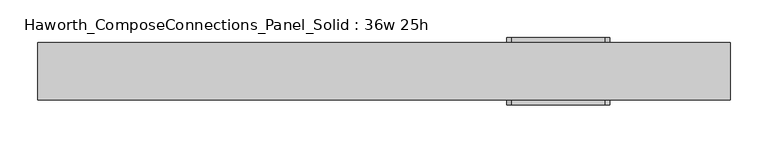
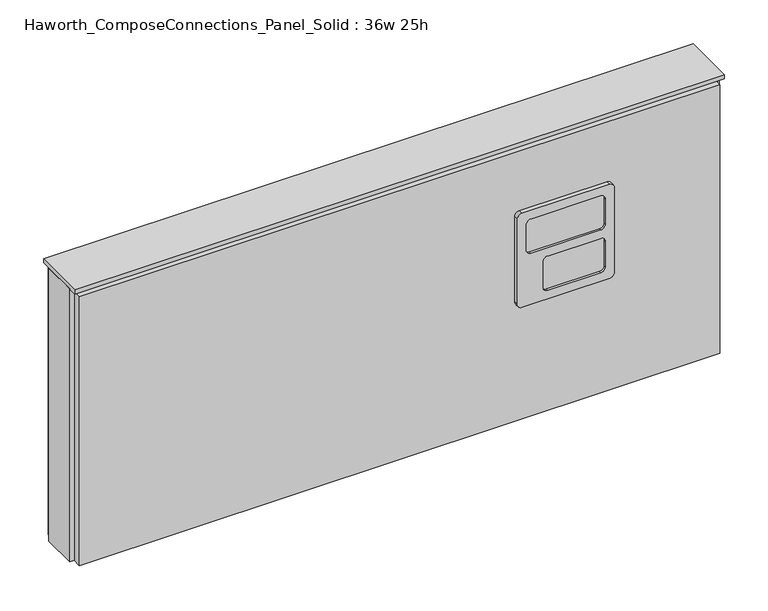
"""IFC4 building model written with IfcOpenShell, lengths in millimetres: furniture geometry, Haworth_ComposeConnections_Panel_Solid : 36w 25h."""

from ifc_helpers import new_model, si_unit, frame, origin, place, context, project, spatial, polyline, circle_curve, outline, extrude, source, transform, mapped, element, save
from ifc_brep_helpers import plane_surface, cylinder_surface, revolved_surface, advanced_brep


def haworth_composeconnections_panel_solid_36w_25h_44c2ec4a(model_context):
    return source(origin(), model_context, "Body", "SolidModel", [
        advanced_brep(
        [(170.7152902, 38.1, 546.1), (164.3652902, 38.1, 539.75), (164.3652902, 38.1, 412.75), (170.7152902, 38.1, 406.4), (294.5402902, 38.1, 406.4), (300.8902902, 38.1, 412.75), (300.8902902, 38.1, 539.75), (294.5402902, 38.1, 546.1), (170.7152902, 44.45, 546.1), (294.5402902, 44.45, 546.1), (300.8902902, 44.45, 539.75), (300.8902902, 44.45, 412.75), (294.5402902, 44.45, 406.4), (170.7152902, 44.45, 406.4), (164.3652902, 44.45, 412.75), (164.3652902, 44.45, 539.75), (183.4152902, 44.45, 533.4), (177.0652902, 44.45, 527.05), (177.0652902, 44.45, 488.95), (183.4152902, 44.45, 482.6), (281.8402902, 44.45, 482.6), (288.1902902, 44.45, 488.95), (288.1902902, 44.45, 527.05), (281.8402902, 44.45, 533.4), (183.4152902, 44.45, 469.9), (177.0652902, 44.45, 463.55), (177.0652902, 44.45, 425.45), (183.4152902, 44.45, 419.1), (258.0277902, 44.45, 419.1), (264.3777902, 44.45, 425.45), (264.3777902, 44.45, 463.55), (258.0277902, 44.45, 469.9), (183.4152902, 41.275, 533.4), (281.8402902, 41.275, 533.4), (288.1902902, 41.275, 527.05), (288.1902902, 41.275, 488.95), (281.8402902, 41.275, 482.6), (183.4152902, 41.275, 482.6), (177.0652902, 41.275, 488.95), (177.0652902, 41.275, 527.05), (183.4152902, 41.275, 469.9), (258.0277902, 41.275, 469.9), (264.3777902, 41.275, 463.55), (264.3777902, 41.275, 425.45), (258.0277902, 41.275, 419.1), (183.4152902, 41.275, 419.1), (177.0652902, 41.275, 425.45), (177.0652902, 41.275, 463.55)],
        [
            (0, 1, circle_curve(frame((170.7152902, 38.1, 539.75), z_axis=(0.0, -1.0, 0.0), x_axis=(1.0, 0.0, 0.0)), 6.35)),
            (1, 2),
            (2, 3, circle_curve(frame((170.7152902, 38.1, 412.75), z_axis=(0.0, -1.0, 0.0), x_axis=(1.0, 0.0, 0.0)), 6.35)),
            (3, 4),
            (4, 5, circle_curve(frame((294.5402902, 38.1, 412.75), z_axis=(0.0, -1.0, 0.0), x_axis=(1.0, 0.0, 0.0)), 6.35)),
            (5, 6),
            (6, 7, circle_curve(frame((294.5402902, 38.1, 539.75), z_axis=(0.0, -1.0, 0.0), x_axis=(1.0, 0.0, 0.0)), 6.35)),
            (7, 0),
            (8, 9),
            (9, 10, circle_curve(frame((294.5402902, 44.45, 539.75), z_axis=(0.0, 1.0, 0.0), x_axis=(1.0, 0.0, 0.0)), 6.35)),
            (10, 11),
            (11, 12, circle_curve(frame((294.5402902, 44.45, 412.75), z_axis=(0.0, 1.0, 0.0), x_axis=(1.0, 0.0, 0.0)), 6.35)),
            (12, 13),
            (13, 14, circle_curve(frame((170.7152902, 44.45, 412.75), z_axis=(0.0, 1.0, 0.0), x_axis=(1.0, 0.0, 0.0)), 6.35)),
            (14, 15),
            (15, 8, circle_curve(frame((170.7152902, 44.45, 539.75), z_axis=(0.0, 1.0, 0.0), x_axis=(1.0, 0.0, 0.0)), 6.35)),
            (16, 17, circle_curve(frame((183.4152902, 44.45, 527.05), z_axis=(0.0, -1.0, 0.0), x_axis=(1.0, 0.0, 0.0)), 6.35)),
            (17, 18),
            (18, 19, circle_curve(frame((183.4152902, 44.45, 488.95), z_axis=(0.0, -1.0, 0.0), x_axis=(1.0, 0.0, 0.0)), 6.35)),
            (19, 20),
            (20, 21, circle_curve(frame((281.8402902, 44.45, 488.95), z_axis=(0.0, -1.0, 0.0), x_axis=(1.0, 0.0, 0.0)), 6.35)),
            (21, 22),
            (22, 23, circle_curve(frame((281.8402902, 44.45, 527.05), z_axis=(0.0, -1.0, 0.0), x_axis=(1.0, 0.0, 0.0)), 6.35)),
            (23, 16),
            (24, 25, circle_curve(frame((183.4152902, 44.45, 463.55), z_axis=(0.0, -1.0, 0.0), x_axis=(1.0, 0.0, 0.0)), 6.35)),
            (25, 26),
            (26, 27, circle_curve(frame((183.4152902, 44.45, 425.45), z_axis=(0.0, -1.0, 0.0), x_axis=(1.0, 0.0, 0.0)), 6.35)),
            (27, 28),
            (28, 29, circle_curve(frame((258.0277902, 44.45, 425.45), z_axis=(0.0, -1.0, 0.0), x_axis=(1.0, 0.0, 0.0)), 6.35)),
            (29, 30),
            (30, 31, circle_curve(frame((258.0277902, 44.45, 463.55), z_axis=(0.0, -1.0, 0.0), x_axis=(1.0, 0.0, 0.0)), 6.35)),
            (31, 24),
            (0, 8),
            (15, 1),
            (14, 2),
            (13, 3),
            (12, 4),
            (11, 5),
            (10, 6),
            (9, 7),
            (32, 33),
            (33, 34, circle_curve(frame((281.8402902, 41.275, 527.05), z_axis=(0.0, 1.0, 0.0), x_axis=(1.0, 0.0, 0.0)), 6.35)),
            (34, 35),
            (35, 36, circle_curve(frame((281.8402902, 41.275, 488.95), z_axis=(0.0, 1.0, 0.0), x_axis=(1.0, 0.0, 0.0)), 6.35)),
            (36, 37),
            (37, 38, circle_curve(frame((183.4152902, 41.275, 488.95), z_axis=(0.0, 1.0, 0.0), x_axis=(1.0, 0.0, 0.0)), 6.35)),
            (38, 39),
            (39, 32, circle_curve(frame((183.4152902, 41.275, 527.05), z_axis=(0.0, 1.0, 0.0), x_axis=(1.0, 0.0, 0.0)), 6.35)),
            (40, 41),
            (41, 42, circle_curve(frame((258.0277902, 41.275, 463.55), z_axis=(0.0, 1.0, 0.0), x_axis=(1.0, 0.0, 0.0)), 6.35)),
            (42, 43),
            (43, 44, circle_curve(frame((258.0277902, 41.275, 425.45), z_axis=(0.0, 1.0, 0.0), x_axis=(1.0, 0.0, 0.0)), 6.35)),
            (44, 45),
            (45, 46, circle_curve(frame((183.4152902, 41.275, 425.45), z_axis=(0.0, 1.0, 0.0), x_axis=(1.0, 0.0, 0.0)), 6.35)),
            (46, 47),
            (47, 40, circle_curve(frame((183.4152902, 41.275, 463.55), z_axis=(0.0, 1.0, 0.0), x_axis=(1.0, 0.0, 0.0)), 6.35)),
            (39, 17),
            (16, 32),
            (38, 18),
            (37, 19),
            (36, 20),
            (35, 21),
            (34, 22),
            (33, 23),
            (47, 25),
            (24, 40),
            (46, 26),
            (45, 27),
            (44, 28),
            (43, 29),
            (42, 30),
            (41, 31),
        ],
        [
            plane_surface(frame((177.0652902, 38.1, 539.75), z_axis=(0.0, -1.0, 0.0), x_axis=(0.0, 0.0, 1.0))),
            plane_surface(frame((177.0652902, 44.45, 539.75), z_axis=(0.0, 1.0, 0.0), x_axis=(0.0, 0.0, -1.0))),
            cylinder_surface(frame((170.7152902, 44.45, 539.75), z_axis=(0.0, -1.0, 0.0), x_axis=(1.0, 0.0, 0.0)), 6.35),
            plane_surface(frame((164.3652902, 38.1, 539.75), z_axis=(-1.0, 0.0, 0.0), x_axis=(0.0, 1.0, 0.0))),
            cylinder_surface(frame((170.7152902, 44.45, 412.75), z_axis=(0.0, -1.0, 0.0), x_axis=(1.0, 0.0, 0.0)), 6.35),
            plane_surface(frame((170.7152902, 38.1, 406.4), z_axis=(0.0, 0.0, -1.0), x_axis=(0.0, 1.0, 0.0))),
            cylinder_surface(frame((294.5402902, 44.45, 412.75), z_axis=(0.0, -1.0, 0.0), x_axis=(1.0, 0.0, 0.0)), 6.35),
            plane_surface(frame((300.8902902, 38.1, 412.75), z_axis=(1.0, 0.0, 0.0), x_axis=(0.0, 1.0, 0.0))),
            cylinder_surface(frame((294.5402902, 44.45, 539.75), z_axis=(0.0, -1.0, 0.0), x_axis=(1.0, 0.0, 0.0)), 6.35),
            plane_surface(frame((294.5402902, 38.1, 546.1), z_axis=(0.0, 0.0, 1.0), x_axis=(0.0, 1.0, 0.0))),
            plane_surface(frame((189.7652902, 41.275, 527.05), z_axis=(0.0, 1.0, 0.0), x_axis=(0.0, 0.0, 1.0))),
            revolved_surface(polyline([(189.76529019999998, 41.275, 527.05), (189.76529019999998, 44.45, 527.05)]), (183.4152902, 44.45, 527.05), (0.0, -1.0, 0.0)),
            plane_surface(frame((177.0652902, 41.275, 527.05), z_axis=(1.0, 0.0, 0.0), x_axis=(0.0, 1.0, 0.0))),
            revolved_surface(polyline([(189.76529019999998, 41.275, 488.95), (189.76529019999998, 44.45, 488.95)]), (183.4152902, 44.45, 488.95), (0.0, -1.0, 0.0)),
            plane_surface(frame((183.4152902, 41.275, 482.6), z_axis=(0.0, 0.0, 1.0), x_axis=(0.0, 1.0, 0.0))),
            revolved_surface(polyline([(288.19029020000005, 41.275, 488.95), (288.19029020000005, 44.45, 488.95)]), (281.8402902, 44.45, 488.95), (0.0, -1.0, 0.0)),
            plane_surface(frame((288.1902902, 41.275, 488.95), z_axis=(-1.0, 0.0, 0.0), x_axis=(0.0, 1.0, 0.0))),
            revolved_surface(polyline([(288.19029020000005, 41.275, 527.05), (288.19029020000005, 44.45, 527.05)]), (281.8402902, 44.45, 527.05), (0.0, -1.0, 0.0)),
            plane_surface(frame((281.8402902, 41.275, 533.4), z_axis=(0.0, 0.0, -1.0), x_axis=(0.0, 1.0, 0.0))),
            revolved_surface(polyline([(189.76529019999998, 41.275, 463.55), (189.76529019999998, 44.45, 463.55)]), (183.4152902, 44.45, 463.55), (0.0, -1.0, 0.0)),
            plane_surface(frame((177.0652902, 41.275, 463.55), z_axis=(1.0, 0.0, 0.0), x_axis=(0.0, 1.0, 0.0))),
            revolved_surface(polyline([(189.76529019999998, 41.275, 425.45), (189.76529019999998, 44.45, 425.45)]), (183.4152902, 44.45, 425.45), (0.0, -1.0, 0.0)),
            plane_surface(frame((183.4152902, 41.275, 419.1), z_axis=(0.0, 0.0, 1.0), x_axis=(0.0, 1.0, 0.0))),
            revolved_surface(polyline([(264.37779020000005, 41.275, 425.45), (264.37779020000005, 44.45, 425.45)]), (258.0277902, 44.45, 425.45), (0.0, -1.0, 0.0)),
            plane_surface(frame((264.3777902, 41.275, 425.45), z_axis=(-1.0, 0.0, 0.0), x_axis=(0.0, 1.0, 0.0))),
            revolved_surface(polyline([(264.37779020000005, 41.275, 463.55), (264.37779020000005, 44.45, 463.55)]), (258.0277902, 44.45, 463.55), (0.0, -1.0, 0.0)),
            plane_surface(frame((258.0277902, 41.275, 469.9), z_axis=(0.0, 0.0, -1.0), x_axis=(0.0, 1.0, 0.0))),
        ],
        [
            (0, [[1, 2, 3, 4, 5, 6, 7, 8]]),
            (1, [[9, 10, 11, 12, 13, 14, 15, 16], [17, 18, 19, 20, 21, 22, 23, 24], [25, 26, 27, 28, 29, 30, 31, 32]]),
            (2, [[-1, 33, -16, 34]]),
            (3, [[-2, -34, -15, 35]]),
            (4, [[-3, -35, -14, 36]]),
            (5, [[-4, -36, -13, 37]]),
            (6, [[-5, -37, -12, 38]]),
            (7, [[-6, -38, -11, 39]]),
            (8, [[-7, -39, -10, 40]]),
            (9, [[-8, -40, -9, -33]]),
            (10, [[41, 42, 43, 44, 45, 46, 47, 48]]),
            (10, [[49, 50, 51, 52, 53, 54, 55, 56]]),
            (11, [[-48, 57, -17, 58]]),
            (12, [[-47, 59, -18, -57]]),
            (13, [[-46, 60, -19, -59]]),
            (14, [[-45, 61, -20, -60]]),
            (15, [[-44, 62, -21, -61]]),
            (16, [[-43, 63, -22, -62]]),
            (17, [[-42, 64, -23, -63]]),
            (18, [[-41, -58, -24, -64]]),
            (19, [[-56, 65, -25, 66]]),
            (20, [[-55, 67, -26, -65]]),
            (21, [[-54, 68, -27, -67]]),
            (22, [[-53, 69, -28, -68]]),
            (23, [[-52, 70, -29, -69]]),
            (24, [[-51, 71, -30, -70]]),
            (25, [[-50, 72, -31, -71]]),
            (26, [[-49, -66, -32, -72]]),
        ],
    ),
        advanced_brep(
        [(294.5402902, -38.1, 546.1), (300.8902902, -38.1, 539.75), (300.8902902, -38.1, 412.75), (294.5402902, -38.1, 406.4), (170.7152902, -38.1, 406.4), (164.3652902, -38.1, 412.75), (164.3652902, -38.1, 539.75), (170.7152902, -38.1, 546.1), (294.5402902, -44.45, 546.1), (170.7152902, -44.45, 546.1), (164.3652902, -44.45, 539.75), (164.3652902, -44.45, 412.75), (170.7152902, -44.45, 406.4), (294.5402902, -44.45, 406.4), (300.8902902, -44.45, 412.75), (300.8902902, -44.45, 539.75), (281.8402902, -44.45, 533.4), (288.1902902, -44.45, 527.05), (288.1902902, -44.45, 488.95), (281.8402902, -44.45, 482.6), (183.4152902, -44.45, 482.6), (177.0652902, -44.45, 488.95), (177.0652902, -44.45, 527.05), (183.4152902, -44.45, 533.4), (281.8402902, -44.45, 469.9), (288.1902902, -44.45, 463.55), (288.1902902, -44.45, 425.45), (281.8402902, -44.45, 419.1), (207.2277902, -44.45, 419.1), (200.8777902, -44.45, 425.45), (200.8777902, -44.45, 463.55), (207.2277902, -44.45, 469.9), (281.8402902, -41.275, 533.4), (183.4152902, -41.275, 533.4), (177.0652902, -41.275, 527.05), (177.0652902, -41.275, 488.95), (183.4152902, -41.275, 482.6), (281.8402902, -41.275, 482.6), (288.1902902, -41.275, 488.95), (288.1902902, -41.275, 527.05), (281.8402902, -41.275, 469.9), (207.2277902, -41.275, 469.9), (200.8777902, -41.275, 463.55), (200.8777902, -41.275, 425.45), (207.2277902, -41.275, 419.1), (281.8402902, -41.275, 419.1), (288.1902902, -41.275, 425.45), (288.1902902, -41.275, 463.55)],
        [
            (0, 1, circle_curve(frame((294.5402902, -38.1, 539.75), z_axis=(0.0, 1.0, 0.0), x_axis=(-1.0, 0.0, 0.0)), 6.35)),
            (1, 2),
            (2, 3, circle_curve(frame((294.5402902, -38.1, 412.75), z_axis=(0.0, 1.0, 0.0), x_axis=(-1.0, 0.0, 0.0)), 6.35)),
            (3, 4),
            (4, 5, circle_curve(frame((170.7152902, -38.1, 412.75), z_axis=(0.0, 1.0, 0.0), x_axis=(-1.0, 0.0, 0.0)), 6.35)),
            (5, 6),
            (6, 7, circle_curve(frame((170.7152902, -38.1, 539.75), z_axis=(0.0, 1.0, 0.0), x_axis=(-1.0, 0.0, 0.0)), 6.35)),
            (7, 0),
            (8, 9),
            (9, 10, circle_curve(frame((170.7152902, -44.45, 539.75), z_axis=(0.0, -1.0, 0.0), x_axis=(-1.0, 0.0, 0.0)), 6.35)),
            (10, 11),
            (11, 12, circle_curve(frame((170.7152902, -44.45, 412.75), z_axis=(0.0, -1.0, 0.0), x_axis=(-1.0, 0.0, 0.0)), 6.35)),
            (12, 13),
            (13, 14, circle_curve(frame((294.5402902, -44.45, 412.75), z_axis=(0.0, -1.0, 0.0), x_axis=(-1.0, 0.0, 0.0)), 6.35)),
            (14, 15),
            (15, 8, circle_curve(frame((294.5402902, -44.45, 539.75), z_axis=(0.0, -1.0, 0.0), x_axis=(-1.0, 0.0, 0.0)), 6.35)),
            (16, 17, circle_curve(frame((281.8402902, -44.45, 527.05), z_axis=(0.0, 1.0, 0.0), x_axis=(-1.0, 0.0, 0.0)), 6.35)),
            (17, 18),
            (18, 19, circle_curve(frame((281.8402902, -44.45, 488.95), z_axis=(0.0, 1.0, 0.0), x_axis=(-1.0, 0.0, 0.0)), 6.35)),
            (19, 20),
            (20, 21, circle_curve(frame((183.4152902, -44.45, 488.95), z_axis=(0.0, 1.0, 0.0), x_axis=(-1.0, 0.0, 0.0)), 6.35)),
            (21, 22),
            (22, 23, circle_curve(frame((183.4152902, -44.45, 527.05), z_axis=(0.0, 1.0, 0.0), x_axis=(-1.0, 0.0, 0.0)), 6.35)),
            (23, 16),
            (24, 25, circle_curve(frame((281.8402902, -44.45, 463.55), z_axis=(0.0, 1.0, 0.0), x_axis=(-1.0, 0.0, 0.0)), 6.35)),
            (25, 26),
            (26, 27, circle_curve(frame((281.8402902, -44.45, 425.45), z_axis=(0.0, 1.0, 0.0), x_axis=(-1.0, 0.0, 0.0)), 6.35)),
            (27, 28),
            (28, 29, circle_curve(frame((207.2277902, -44.45, 425.45), z_axis=(0.0, 1.0, 0.0), x_axis=(-1.0, 0.0, 0.0)), 6.35)),
            (29, 30),
            (30, 31, circle_curve(frame((207.2277902, -44.45, 463.55), z_axis=(0.0, 1.0, 0.0), x_axis=(-1.0, 0.0, 0.0)), 6.35)),
            (31, 24),
            (0, 8),
            (15, 1),
            (14, 2),
            (13, 3),
            (12, 4),
            (11, 5),
            (10, 6),
            (9, 7),
            (32, 33),
            (33, 34, circle_curve(frame((183.4152902, -41.275, 527.05), z_axis=(0.0, -1.0, 0.0), x_axis=(-1.0, 0.0, 0.0)), 6.35)),
            (34, 35),
            (35, 36, circle_curve(frame((183.4152902, -41.275, 488.95), z_axis=(0.0, -1.0, 0.0), x_axis=(-1.0, 0.0, 0.0)), 6.35)),
            (36, 37),
            (37, 38, circle_curve(frame((281.8402902, -41.275, 488.95), z_axis=(0.0, -1.0, 0.0), x_axis=(-1.0, 0.0, 0.0)), 6.35)),
            (38, 39),
            (39, 32, circle_curve(frame((281.8402902, -41.275, 527.05), z_axis=(0.0, -1.0, 0.0), x_axis=(-1.0, 0.0, 0.0)), 6.35)),
            (40, 41),
            (41, 42, circle_curve(frame((207.2277902, -41.275, 463.55), z_axis=(0.0, -1.0, 0.0), x_axis=(-1.0, 0.0, 0.0)), 6.35)),
            (42, 43),
            (43, 44, circle_curve(frame((207.2277902, -41.275, 425.45), z_axis=(0.0, -1.0, 0.0), x_axis=(-1.0, 0.0, 0.0)), 6.35)),
            (44, 45),
            (45, 46, circle_curve(frame((281.8402902, -41.275, 425.45), z_axis=(0.0, -1.0, 0.0), x_axis=(-1.0, 0.0, 0.0)), 6.35)),
            (46, 47),
            (47, 40, circle_curve(frame((281.8402902, -41.275, 463.55), z_axis=(0.0, -1.0, 0.0), x_axis=(-1.0, 0.0, 0.0)), 6.35)),
            (39, 17),
            (16, 32),
            (38, 18),
            (37, 19),
            (36, 20),
            (35, 21),
            (34, 22),
            (33, 23),
            (47, 25),
            (24, 40),
            (46, 26),
            (45, 27),
            (44, 28),
            (43, 29),
            (42, 30),
            (41, 31),
        ],
        [
            plane_surface(frame((288.1902902, -38.1, 539.75), z_axis=(0.0, 1.0, 0.0), x_axis=(0.0, 0.0, 1.0))),
            plane_surface(frame((288.1902902, -44.45, 539.75), z_axis=(0.0, -1.0, 0.0), x_axis=(0.0, 0.0, -1.0))),
            cylinder_surface(frame((294.5402902, -44.45, 539.75), z_axis=(0.0, 1.0, 0.0), x_axis=(-1.0, 0.0, 0.0)), 6.35),
            plane_surface(frame((300.8902902, -38.1, 539.75), z_axis=(1.0, 0.0, 0.0), x_axis=(0.0, -1.0, 0.0))),
            cylinder_surface(frame((294.5402902, -44.45, 412.75), z_axis=(0.0, 1.0, 0.0), x_axis=(-1.0, 0.0, 0.0)), 6.35),
            plane_surface(frame((294.5402902, -38.1, 406.4), z_axis=(0.0, 0.0, -1.0), x_axis=(0.0, -1.0, 0.0))),
            cylinder_surface(frame((170.7152902, -44.45, 412.75), z_axis=(0.0, 1.0, 0.0), x_axis=(-1.0, 0.0, 0.0)), 6.35),
            plane_surface(frame((164.3652902, -38.1, 412.75), z_axis=(-1.0, 0.0, 0.0), x_axis=(0.0, -1.0, 0.0))),
            cylinder_surface(frame((170.7152902, -44.45, 539.75), z_axis=(0.0, 1.0, 0.0), x_axis=(-1.0, 0.0, 0.0)), 6.35),
            plane_surface(frame((170.7152902, -38.1, 546.1), z_axis=(0.0, 0.0, 1.0), x_axis=(0.0, -1.0, 0.0))),
            plane_surface(frame((275.4902902, -41.275, 527.05), z_axis=(0.0, -1.0, 0.0), x_axis=(0.0, 0.0, 1.0))),
            revolved_surface(polyline([(275.4902902, -41.275, 527.05), (275.4902902, -44.45, 527.05)]), (281.8402902, -44.45, 527.05), (0.0, 1.0, 0.0)),
            plane_surface(frame((288.1902902, -41.275, 527.05), z_axis=(-1.0, 0.0, 0.0), x_axis=(0.0, -1.0, 0.0))),
            revolved_surface(polyline([(275.4902902, -41.275, 488.95), (275.4902902, -44.45, 488.95)]), (281.8402902, -44.45, 488.95), (0.0, 1.0, 0.0)),
            plane_surface(frame((281.8402902, -41.275, 482.6), z_axis=(0.0, 0.0, 1.0), x_axis=(0.0, -1.0, 0.0))),
            revolved_surface(polyline([(177.0652902, -41.275, 488.95), (177.0652902, -44.45, 488.95)]), (183.4152902, -44.45, 488.95), (0.0, 1.0, 0.0)),
            plane_surface(frame((177.0652902, -41.275, 488.95), z_axis=(1.0, 0.0, 0.0), x_axis=(0.0, -1.0, 0.0))),
            revolved_surface(polyline([(177.0652902, -41.275, 527.05), (177.0652902, -44.45, 527.05)]), (183.4152902, -44.45, 527.05), (0.0, 1.0, 0.0)),
            plane_surface(frame((183.4152902, -41.275, 533.4), z_axis=(0.0, 0.0, -1.0), x_axis=(0.0, -1.0, 0.0))),
            revolved_surface(polyline([(275.4902902, -41.275, 463.55), (275.4902902, -44.45, 463.55)]), (281.8402902, -44.45, 463.55), (0.0, 1.0, 0.0)),
            plane_surface(frame((288.1902902, -41.275, 463.55), z_axis=(-1.0, 0.0, 0.0), x_axis=(0.0, -1.0, 0.0))),
            revolved_surface(polyline([(275.4902902, -41.275, 425.45), (275.4902902, -44.45, 425.45)]), (281.8402902, -44.45, 425.45), (0.0, 1.0, 0.0)),
            plane_surface(frame((281.8402902, -41.275, 419.1), z_axis=(0.0, 0.0, 1.0), x_axis=(0.0, -1.0, 0.0))),
            revolved_surface(polyline([(200.8777902, -41.275, 425.45), (200.8777902, -44.45, 425.45)]), (207.2277902, -44.45, 425.45), (0.0, 1.0, 0.0)),
            plane_surface(frame((200.8777902, -41.275, 425.45), z_axis=(1.0, 0.0, 0.0), x_axis=(0.0, -1.0, 0.0))),
            revolved_surface(polyline([(200.8777902, -41.275, 463.55), (200.8777902, -44.45, 463.55)]), (207.2277902, -44.45, 463.55), (0.0, 1.0, 0.0)),
            plane_surface(frame((207.2277902, -41.275, 469.9), z_axis=(0.0, 0.0, -1.0), x_axis=(0.0, -1.0, 0.0))),
        ],
        [
            (0, [[1, 2, 3, 4, 5, 6, 7, 8]]),
            (1, [[9, 10, 11, 12, 13, 14, 15, 16], [17, 18, 19, 20, 21, 22, 23, 24], [25, 26, 27, 28, 29, 30, 31, 32]]),
            (2, [[-1, 33, -16, 34]]),
            (3, [[-2, -34, -15, 35]]),
            (4, [[-3, -35, -14, 36]]),
            (5, [[-4, -36, -13, 37]]),
            (6, [[-5, -37, -12, 38]]),
            (7, [[-6, -38, -11, 39]]),
            (8, [[-7, -39, -10, 40]]),
            (9, [[-8, -40, -9, -33]]),
            (10, [[41, 42, 43, 44, 45, 46, 47, 48]]),
            (10, [[49, 50, 51, 52, 53, 54, 55, 56]]),
            (11, [[-48, 57, -17, 58]]),
            (12, [[-47, 59, -18, -57]]),
            (13, [[-46, 60, -19, -59]]),
            (14, [[-45, 61, -20, -60]]),
            (15, [[-44, 62, -21, -61]]),
            (16, [[-43, 63, -22, -62]]),
            (17, [[-42, 64, -23, -63]]),
            (18, [[-41, -58, -24, -64]]),
            (19, [[-56, 65, -25, 66]]),
            (20, [[-55, 67, -26, -65]]),
            (21, [[-54, 68, -27, -67]]),
            (22, [[-53, 69, -28, -68]]),
            (23, [[-52, 70, -29, -69]]),
            (24, [[-51, 71, -30, -70]]),
            (25, [[-50, 72, -31, -71]]),
            (26, [[-49, -66, -32, -72]]),
        ],
    ),
        extrude(outline(polyline([(459.6402902, -25.4), (-454.7597098, -25.4), (-454.7597098, 25.4), (459.6402902, 25.4), (459.6402902, -25.4)])), frame((0.0, 0.0, 234.95), z_axis=(0.0, 0.0, 1.0), x_axis=(1.0, 0.0, 0.0)), (0.0, 0.0, 1.0), 406.4),
        extrude(outline(polyline([(-448.4097098, -25.4), (453.2902902, -25.4), (453.2902902, -38.1), (-448.4097098, -38.1), (-448.4097098, -25.4)])), frame((0.0, 0.0, 234.95), z_axis=(0.0, 0.0, 1.0), x_axis=(1.0, 0.0, 0.0)), (0.0, 0.0, 1.0), 400.05),
        extrude(outline(polyline([(-448.4097098, 38.1), (453.2902902, 38.1), (453.2902902, 25.4), (-448.4097098, 25.4), (-448.4097098, 38.1)])), frame((0.0, 0.0, 234.95), z_axis=(0.0, 0.0, 1.0), x_axis=(1.0, 0.0, 0.0)), (0.0, 0.0, 1.0), 400.05),
        extrude(outline(polyline([(-454.7597098, -38.1), (-454.7597098, 38.1), (459.6402902, 38.1), (459.6402902, -38.1), (-454.7597098, -38.1)])), frame((0.0, 0.0, 641.35), z_axis=(0.0, 0.0, 1.0), x_axis=(1.0, 0.0, 0.0)), (0.0, 0.0, 1.0), 6.35),
    ])


if __name__ == "__main__":
    model = new_model("IFC4")
    model_context = context("Model", 3, world=origin())
    ifc_project = project(units=[si_unit("LENGTHUNIT", "METRE", prefix="MILLI")], contexts=[model_context])
    site = spatial("IfcSite", under=ifc_project)
    building = spatial("IfcBuilding", under=site)
    placement = place(None, origin())
    haworth_composeconnections_panel_solid_36w_25h_shape = haworth_composeconnections_panel_solid_36w_25h_44c2ec4a(model_context)
    element("IfcFurniture", 1, ObjectType="Haworth_ComposeConnections_Panel_Solid : 36w 25h", at=placement, inside=building, context=model_context, shape_type="MappedRepresentation", body=[
        mapped(haworth_composeconnections_panel_solid_36w_25h_shape, transform((0.0, 0.0, 0.0), x_axis=(1.0, 0.0, 0.0), y_axis=(0.0, 1.0, 0.0), z_axis=(0.0, 0.0, 1.0))),
    ])
    save(model, "model.ifc")
